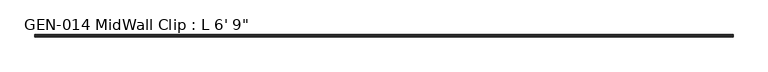
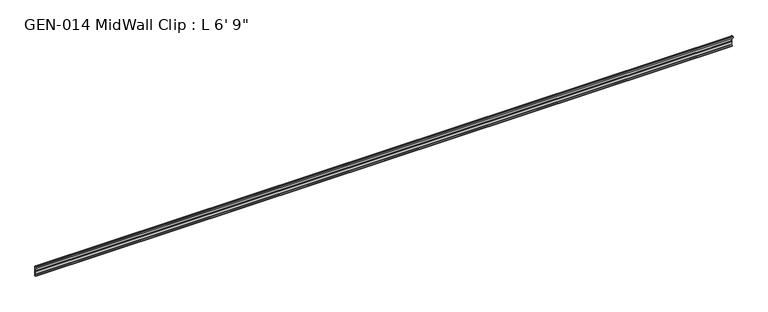
"""IFC4 building model written with IfcOpenShell, lengths in millimetres: proxy geometry."""

from ifc_helpers import new_model, si_unit, point, frame, frame_2d, origin, place, context, project, spatial, polyline, circle_curve, trimmed, segment, composite_curve, outline, extrude, source, transform, mapped, element, save


def proxy_877578e9(model_context):
    return source(origin(), model_context, "Body", "SweptSolid", [
        extrude(outline(composite_curve([segment(polyline([(2.1386113, 32.1158903), (3.9735584, 32.6885982)]), True, "CONTINUOUS"), segment(trimmed(circle_curve(frame_2d((4.1838513, 32.2686835)), 0.4696291), [point((3.9735584, 32.6885982))], [point((4.6534804, 32.2686835))], False, "CARTESIAN"), True, "CONTINUOUS"), segment(polyline([(4.6534804, 32.2686835), (4.6534804, 30.7270734)]), True, "CONTINUOUS"), segment(trimmed(circle_curve(frame_2d((6.2409804, 30.7270734)), 1.5875), [point((4.6534804, 30.7270734))], [point((6.2409804, 29.1395734))], True, "CARTESIAN"), True, "CONTINUOUS"), segment(polyline([(6.2409804, 29.1395734), (7.5485426, 29.1395734), (7.5485426, 0.0), (4.055874, 0.0), (4.055874, 1.6102595)]), True, "CONTINUOUS"), segment(trimmed(circle_curve(frame_2d((4.0560426, 3.5152595)), 1.905), [point((4.055874, 1.6102595))], [point((5.9610426, 3.5152595))], True, "CARTESIAN"), True, "CONTINUOUS"), segment(polyline([(5.9610426, 3.5152595), (5.9610426, 4.6343152), (5.9610426, 12.4909614), (6.4702065, 13.408381), (6.4702065, 14.7485418), (5.9610426, 15.6659614), (5.9610426, 26.8535734)]), True, "CONTINUOUS"), segment(trimmed(circle_curve(frame_2d((5.4530426, 26.8535734)), 0.508), [point((5.9610426, 26.8535734))], [point((5.4361592, 27.3612928))], True, "CARTESIAN"), True, "CONTINUOUS"), segment(trimmed(circle_curve(frame_2d((5.4154804, 26.5995734)), 0.762), [point((5.4361592, 27.3612928))], [point((4.6764599, 26.4138515))], True, "CARTESIAN"), True, "CONTINUOUS"), segment(trimmed(circle_curve(frame_2d((4.1230664, 26.2747792)), 0.5706009), [point((4.6764599, 26.4138515))], [point((3.9349539, 25.7360779))], False, "CARTESIAN"), True, "CONTINUOUS"), segment(polyline([(3.9349539, 25.7360779), (2.1386113, 26.2967369)]), True, "CONTINUOUS"), segment(trimmed(circle_curve(frame_2d((3.0467234, 29.2063136)), 3.048), [point((2.1386113, 26.2967369))], [point((0.4447727, 30.7938136))], False, "CARTESIAN"), True, "CONTINUOUS"), segment(trimmed(circle_curve(frame_2d((3.0467234, 29.2063136)), 3.048), [point((0.4447727, 30.7938136))], [point((2.1386113, 32.1158903))], False, "CARTESIAN"), True, "CONTINUOUS")], self_intersect=False)), frame((-1752.6, 0.0, 0.0), z_axis=(1.0, 0.0, 0.0), x_axis=(0.0, 1.0, 0.0)), (0.0, 0.0, 1.0), 2057.4),
    ])


if __name__ == "__main__":
    model = new_model("IFC4")
    model_context = context("Model", 3, world=origin())
    ifc_project = project(units=[si_unit("LENGTHUNIT", "METRE", prefix="MILLI")], contexts=[model_context])
    site = spatial("IfcSite", under=ifc_project)
    building = spatial("IfcBuilding", under=site)
    placement = place(None, origin())
    proxy_shape = proxy_877578e9(model_context)
    element("IfcBuildingElementProxy", 1, Name="GEN-014 MidWall Clip : L 6' 9\"", ObjectType="GEN-014 MidWall Clip : L 6' 9\"", at=placement, inside=building, context=model_context, shape_type="MappedRepresentation", body=[
        mapped(proxy_shape, transform((0.0, 0.0, 0.0), x_axis=(1.0, 0.0, 0.0), y_axis=(0.0, 1.0, 0.0), z_axis=(0.0, 0.0, 1.0))),
    ])
    save(model, "model.ifc")
